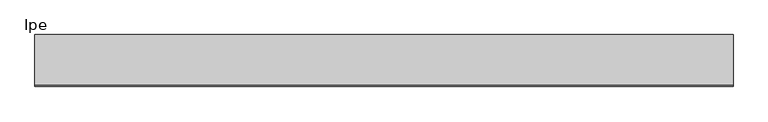
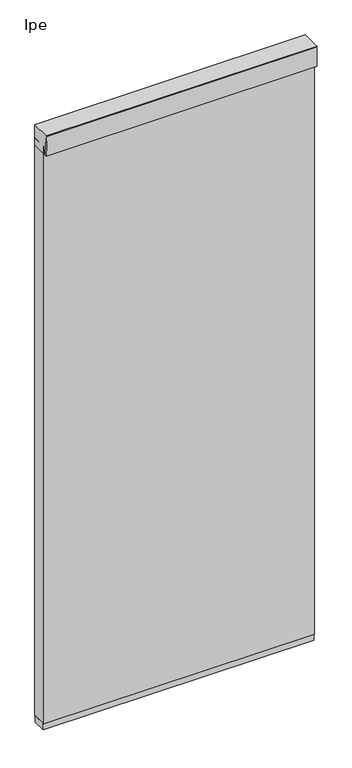
"""IFC4 building model written with IfcOpenShell, lengths in millimetres: plate geometry, Ipe."""

from ifc_helpers import new_model, si_unit, point, frame, frame_2d, origin, place, context, project, spatial, polyline, circle_curve, trimmed, segment, composite_curve, outline, extrude, source, transform, mapped, element, save


def ipe_f233fb6c(model_context):
    return source(origin(), model_context, "Body", "SweptSolid", [
        extrude(outline(composite_curve([segment(polyline([(28.575, 2438.4), (28.575, 2359.025), (-34.13125, 2359.025)]), True, "CONTINUOUS"), segment(trimmed(circle_curve(frame_2d((-367.5335463, 2356.0450255)), 333.4156137), [point((-34.13125, 2359.025))], [point((-43.65625, 2435.225))], True, "CARTESIAN"), True, "CONTINUOUS"), segment(polyline([(-43.65625, 2435.225), (-43.65625, 2438.4), (28.575, 2438.4)]), True, "CONTINUOUS")], self_intersect=False)), frame((-501.65, 0.0, 0.0), z_axis=(1.0, 0.0, 0.0), x_axis=(0.0, 1.0, 0.0)), (0.0, 0.0, 1.0), 1003.3),
        extrude(outline(composite_curve([segment(polyline([(28.575, 2359.025), (-43.65625, 2359.025)]), True, "CONTINUOUS"), segment(trimmed(circle_curve(frame_2d((268.5966329, 2398.7125)), 314.7649291), [point((-43.65625, 2359.025))], [point((-43.65625, 2438.4))], False, "CARTESIAN"), True, "CONTINUOUS"), segment(polyline([(-43.65625, 2438.4), (28.575, 2438.4), (28.575, 2359.025)]), True, "CONTINUOUS")], self_intersect=False)), frame((-501.65, 0.0, 0.0), z_axis=(1.0, 0.0, 0.0), x_axis=(0.0, 1.0, 0.0)), (0.0, 0.0, 1.0), 1003.3),
        extrude(outline(polyline([(-501.65, 25.4), (501.65, 25.4), (501.65, -25.4), (-501.65, -25.4), (-501.65, 25.4)])), frame((0.0, 0.0, 101.6), z_axis=(0.0, 0.0, 1.0), x_axis=(1.0, 0.0, 0.0)), (0.0, 0.0, 1.0), 25.4),
        extrude(outline(polyline([(501.65, 28.575), (501.65, -28.575), (-501.65, -28.575), (-501.65, 28.575), (501.65, 28.575)])), frame((0.0, 0.0, 127.0), z_axis=(0.0, 0.0, 1.0), x_axis=(1.0, 0.0, 0.0)), (0.0, 0.0, 1.0), 2260.6),
    ])


if __name__ == "__main__":
    model = new_model("IFC4")
    model_context = context("Model", 3, world=origin())
    ifc_project = project(units=[si_unit("LENGTHUNIT", "METRE", prefix="MILLI")], contexts=[model_context])
    site = spatial("IfcSite", under=ifc_project)
    building = spatial("IfcBuilding", under=site)
    placement = place(None, origin())
    ipe_shape = ipe_f233fb6c(model_context)
    element("IfcPlate", 1, ObjectType="Ipe", at=placement, inside=building, context=model_context, shape_type="MappedRepresentation", body=[
        mapped(ipe_shape, transform((0.0, 0.0, 0.0), x_axis=(1.0, 0.0, 0.0), y_axis=(0.0, 1.0, 0.0), z_axis=(0.0, 0.0, 1.0))),
    ])
    save(model, "model.ifc")
